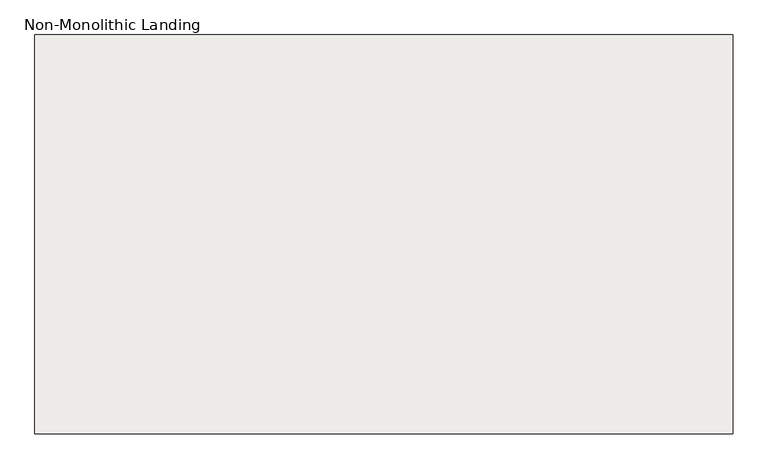
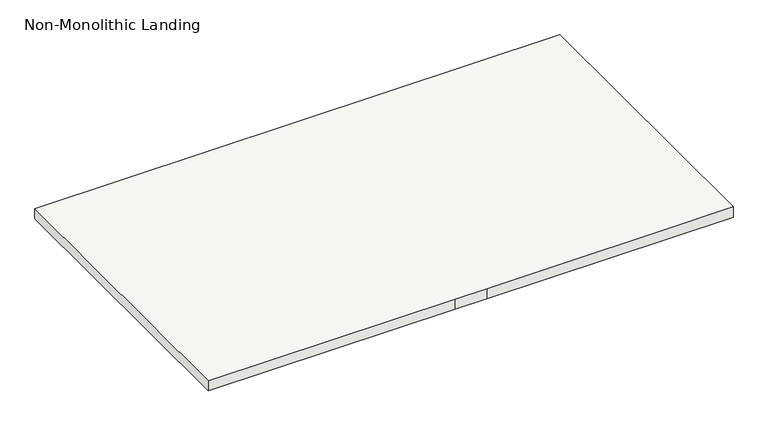
"""IFC4 building model written with IfcOpenShell, lengths in millimetres: slab geometry, Non-Monolithic Landing."""

from ifc_helpers import new_model, si_unit, frame, origin, place, context, project, spatial, polyline, outline, extrude, source, transform, mapped, element, save


def non_monolithic_landing_dd41c260(model_context):
    return source(origin(), model_context, "Body", "SweptSolid", [
        extrude(outline(polyline([(383.6347234, -9372.365151), (383.6347234, -7972.365151), (2834.355623, -7972.365151), (2834.355623, -9372.365151), (1684.355623, -9372.365151), (1534.355623, -9372.365151), (383.6347234, -9372.365151)])), frame((0.0, 0.0, 10450.0), z_axis=(0.0, 0.0, 1.0), x_axis=(1.0, 0.0, 0.0)), (0.0, 0.0, 1.0), 50.0),
    ])


if __name__ == "__main__":
    model = new_model("IFC4")
    model_context = context("Model", 3, world=origin())
    ifc_project = project(units=[si_unit("LENGTHUNIT", "METRE", prefix="MILLI")], contexts=[model_context])
    site = spatial("IfcSite", under=ifc_project)
    building = spatial("IfcBuilding", under=site)
    placement = place(None, origin())
    non_monolithic_landing_shape = non_monolithic_landing_dd41c260(model_context)
    element("IfcSlab", 1, ObjectType="Non-Monolithic Landing", at=placement, inside=building, context=model_context, shape_type="MappedRepresentation", body=[
        mapped(non_monolithic_landing_shape, transform((0.0, 0.0, 0.0), x_axis=(1.0, 0.0, 0.0), y_axis=(0.0, 1.0, 0.0), z_axis=(0.0, 0.0, 1.0))),
    ])
    save(model, "model.ifc")
